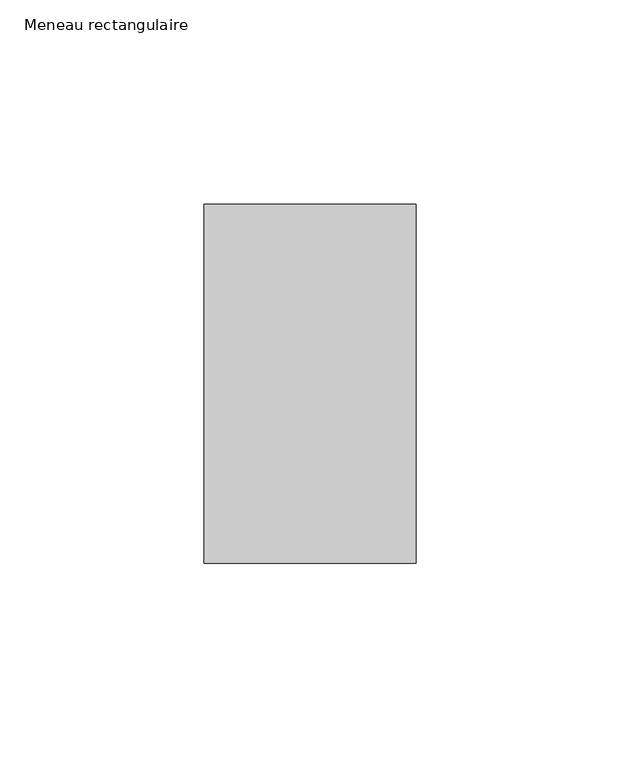
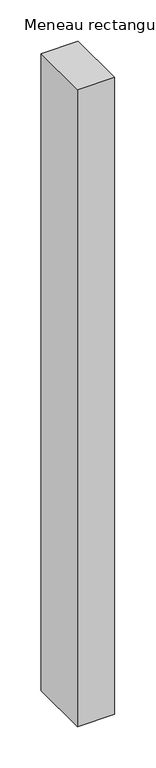
"""IFC4 building model written with IfcOpenShell, lengths in millimetres: member geometry, Meneau rectangulaire."""

from ifc_helpers import new_model, si_unit, frame, origin, place, context, project, spatial, polyline, outline, extrude, source, transform, mapped, element, save


def meneau_rectangulaire_0d2091c5(model_context):
    return source(origin(), model_context, "Body", "SweptSolid", [
        extrude(outline(polyline([(-52.0, 44.0), (0.0, 44.0), (0.0, -44.0), (-52.0, -44.0), (-52.0, 44.0)])), frame((0.0, 0.0, -942.1707158), z_axis=(0.0, 0.0, 1.0), x_axis=(1.0, 0.0, 0.0)), (0.0, 0.0, 1.0), 942.1707158),
    ])


if __name__ == "__main__":
    model = new_model("IFC4")
    model_context = context("Model", 3, world=origin())
    ifc_project = project(units=[si_unit("LENGTHUNIT", "METRE", prefix="MILLI")], contexts=[model_context])
    site = spatial("IfcSite", under=ifc_project)
    building = spatial("IfcBuilding", under=site)
    placement = place(None, origin())
    meneau_rectangulaire_shape = meneau_rectangulaire_0d2091c5(model_context)
    element("IfcMember", 1, ObjectType="Meneau rectangulaire", at=placement, inside=building, context=model_context, shape_type="MappedRepresentation", body=[
        mapped(meneau_rectangulaire_shape, transform((0.0, 0.0, 0.0), x_axis=(1.0, 0.0, 0.0), y_axis=(0.0, 1.0, 0.0), z_axis=(0.0, 0.0, 1.0))),
    ])
    save(model, "model.ifc")
